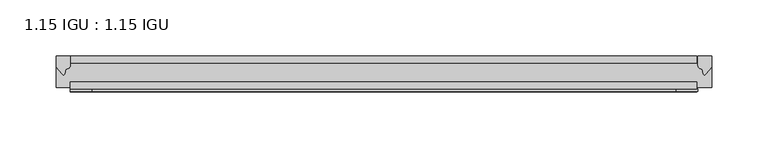
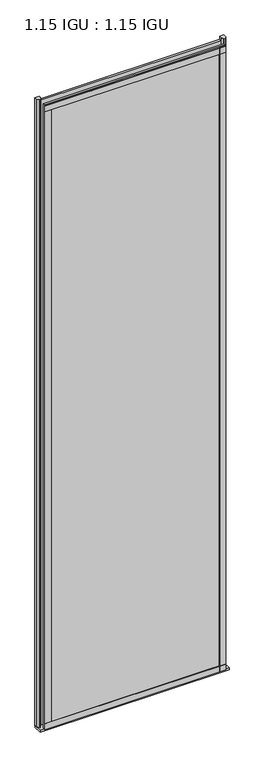
"""IFC4 building model written with IfcOpenShell, lengths in millimetres: plate geometry, 1.15 IGU : 1.15 IGU."""

from ifc_helpers import new_model, si_unit, point, frame, frame_2d, origin, place, context, project, spatial, polyline, circle_curve, trimmed, segment, composite_curve, outline, extrude, source, transform, mapped, element, save


def plate_1_15_igu_1_15_igu_eb46dd08(model_context):
    return source(origin(), model_context, "Body", "SweptSolid", [
        extrude(outline(polyline([(247.1463873, 0.0), (247.1463873, -6.2992), (-311.2305873, -6.2992), (-311.2305873, 0.0), (247.1463873, 0.0)])), frame((0.0, 0.0, -19.05), z_axis=(0.0, 0.0, 1.0), x_axis=(1.0, 0.0, 0.0)), (0.0, 0.0, 1.0), 2041.5250001),
        extrude(outline(polyline([(-311.2305873, -23.1648), (247.1463873, -23.1648), (247.1463873, -29.464), (-311.2305873, -29.464), (-311.2305873, -23.1648)])), frame((0.0, 0.0, -19.05), z_axis=(0.0, 0.0, 1.0), x_axis=(1.0, 0.0, 0.0)), (0.0, 0.0, 1.0), 2041.5250001),
        extrude(outline(composite_curve([segment(trimmed(circle_curve(frame_2d((10.9021792, -22.6833935)), 11.4916952), [point((0.0, -19.05))], [point((-0.2638007, -25.4))], True, "CARTESIAN"), True, "CONTINUOUS"), segment(polyline([(-0.2638007, -25.4), (-27.9952564, -25.4), (-27.9952564, -19.05), (0.0, -19.05)]), True, "CONTINUOUS")], self_intersect=False)), frame((-323.9305873, 0.0, 0.0), z_axis=(1.0, 0.0, 0.0), x_axis=(0.0, 1.0, 0.0)), (0.0, 0.0, 1.0), 584.3611747),
        extrude(outline(composite_curve([segment(polyline([(260.4305873, 0.0), (260.4305873, -9.7395025), (254.8643564, -16.3730781)]), True, "CONTINUOUS"), segment(trimmed(circle_curve(frame_2d((253.9106815, -15.7728374)), 1.1268473), [point((254.8643564, -16.3730781))], [point((252.8097285, -16.0130197))], False, "CARTESIAN"), True, "CONTINUOUS"), segment(polyline([(252.8097285, -16.0130197), (251.8295371, -11.7377885)]), True, "CONTINUOUS"), segment(trimmed(circle_curve(frame_2d((251.7020853, -7.7683362)), 3.9714979), [point((251.8295371, -11.7377885))], [point((247.7307659, -7.8060014))], False, "CARTESIAN"), True, "CONTINUOUS"), segment(polyline([(247.7307659, -7.8060014), (247.7307659, 0.0), (260.4305873, 0.0)]), True, "CONTINUOUS")], self_intersect=False)), frame((0.0, 0.0, -19.05), z_axis=(0.0, 0.0, 1.0), x_axis=(1.0, 0.0, 0.0)), (0.0, 0.0, 1.0), 2051.8374001),
        extrude(outline(composite_curve([segment(polyline([(-311.2305873, 8.8e-06), (-311.2305873, -7.7683362)]), True, "CONTINUOUS"), segment(trimmed(circle_curve(frame_2d((-315.2020853, -7.7683362)), 3.9714979), [point((-311.2305873, -7.7683362))], [point((-315.3295371, -11.7377885))], False, "CARTESIAN"), True, "CONTINUOUS"), segment(polyline([(-315.3295371, -11.7377885), (-316.3095716, -16.012436)]), True, "CONTINUOUS"), segment(trimmed(circle_curve(frame_2d((-317.4107806, -15.7723555)), 1.1270758), [point((-316.3095716, -16.012436))], [point((-318.36462, -16.372764))], False, "CARTESIAN"), True, "CONTINUOUS"), segment(polyline([(-318.36462, -16.372764), (-323.9305873, -9.7395025), (-323.9305873, 8.8e-06), (-311.2305873, 8.8e-06)]), True, "CONTINUOUS")], self_intersect=False)), frame((0.0, 0.0, -19.05), z_axis=(0.0, 0.0, 1.0), x_axis=(1.0, 0.0, 0.0)), (0.0, 0.0, 1.0), 2051.8374001),
        extrude(outline(polyline([(-311.2305873, -31.75), (-311.2305873, -29.464), (247.1463873, -29.464), (247.1463873, -31.75), (-311.2305873, -31.75)])), frame((0.0, 0.0, -19.05), z_axis=(0.0, 0.0, 1.0), x_axis=(1.0, 0.0, 0.0)), (0.0, 0.0, 1.0), 19.05),
        extrude(outline(polyline([(-311.2305873, -31.75), (-311.2305873, -29.464), (247.1463873, -29.464), (247.1463873, -31.75), (-311.2305873, -31.75)])), frame((0.0, 0.0, 2000.2500001), z_axis=(0.0, 0.0, 1.0), x_axis=(1.0, 0.0, 0.0)), (0.0, 0.0, 1.0), 19.05),
        extrude(outline(polyline([(228.6805873, -29.464), (247.7305873, -29.464), (247.7305873, -31.75), (228.6805873, -31.75), (228.6805873, -29.464)])), frame((0.0, 0.0, -19.05), z_axis=(0.0, 0.0, 1.0), x_axis=(1.0, 0.0, 0.0)), (0.0, 0.0, 1.0), 2041.5250001),
        extrude(outline(polyline([(-311.2305873, -31.75), (-311.2305873, -29.464), (-292.1805873, -29.464), (-292.1805873, -31.75), (-311.2305873, -31.75)])), frame((0.0, 0.0, -19.05), z_axis=(0.0, 0.0, 1.0), x_axis=(1.0, 0.0, 0.0)), (0.0, 0.0, 1.0), 2041.5250001),
    ])


if __name__ == "__main__":
    model = new_model("IFC4")
    model_context = context("Model", 3, world=origin())
    ifc_project = project(units=[si_unit("LENGTHUNIT", "METRE", prefix="MILLI")], contexts=[model_context])
    site = spatial("IfcSite", under=ifc_project)
    building = spatial("IfcBuilding", under=site)
    placement = place(None, origin())
    plate_1_15_igu_1_15_igu_shape = plate_1_15_igu_1_15_igu_eb46dd08(model_context)
    element("IfcPlate", 1, ObjectType="1.15 IGU : 1.15 IGU", at=placement, inside=building, context=model_context, shape_type="MappedRepresentation", body=[
        mapped(plate_1_15_igu_1_15_igu_shape, transform((0.0, 0.0, 0.0), x_axis=(1.0, 0.0, 0.0), y_axis=(0.0, 1.0, 0.0), z_axis=(0.0, 0.0, 1.0))),
    ])
    save(model, "model.ifc")
